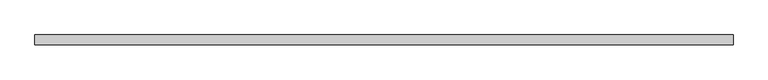
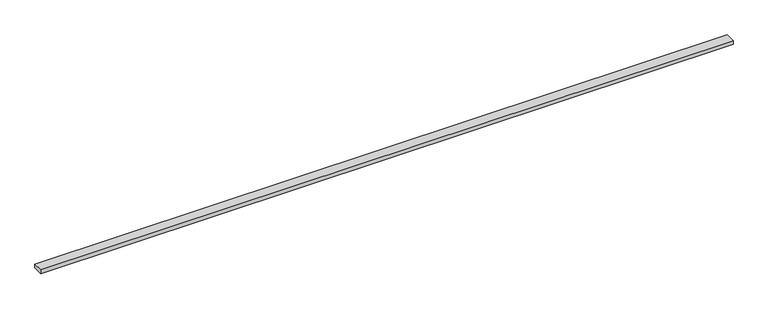
"""IFC4 building model written with IfcOpenShell, lengths in millimetres: beam geometry."""

from ifc_helpers import new_model, si_unit, frame, origin, place, context, project, spatial, polyline, outline, extrude, source, transform, mapped, element, save


def beam_c66c2ead(model_context):
    return source(origin(), model_context, "Body", "SweptSolid", [
        extrude(outline(polyline([(-1567.0, 22.5), (1567.0, 22.5), (1567.0, -22.5), (-1567.0, -22.5), (-1567.0, 22.5)])), frame((0.0, 0.0, -9.0), z_axis=(0.0, 0.0, 1.0), x_axis=(1.0, 0.0, 0.0)), (0.0, 0.0, 1.0), 18.0),
    ])


if __name__ == "__main__":
    model = new_model("IFC4")
    model_context = context("Model", 3, world=origin())
    ifc_project = project(units=[si_unit("LENGTHUNIT", "METRE", prefix="MILLI")], contexts=[model_context])
    site = spatial("IfcSite", under=ifc_project)
    building = spatial("IfcBuilding", under=site)
    placement = place(None, origin())
    beam_shape = beam_c66c2ead(model_context)
    element("IfcBeam", 1, at=placement, inside=building, context=model_context, shape_type="MappedRepresentation", body=[
        mapped(beam_shape, transform((0.0, 0.0, 0.0), x_axis=(1.0, 0.0, 0.0), y_axis=(0.0, 1.0, 0.0), z_axis=(0.0, 0.0, 1.0))),
    ])
    save(model, "model.ifc")
